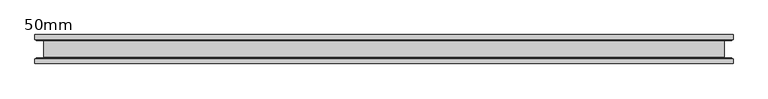
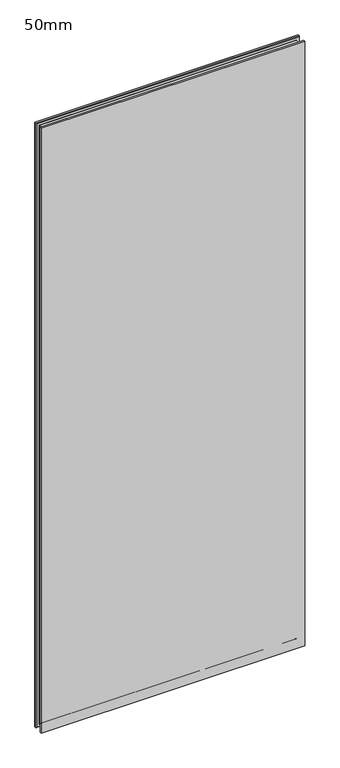
"""IFC4 building model written with IfcOpenShell, lengths in millimetres: plate geometry, 50mm."""

import ifcopenshell
import ifcopenshell.guid

model = None  # the IFC model being written
_history = None  # IfcOwnerHistory: only IFC2X3 demands one
_inside = {}  # id of a spatial element -> (the spatial element, [elements in it])
_under = {}  # id of a project, library or spatial element -> (it, [spatial elements below it])
_declared = {}  # id of a project -> (the project, [libraries it declares])
_typed = {}  # id of a type object -> (the type object, [elements of that type])
_made_of = {}  # id of a material, layer set ... -> (it, [elements and type objects made of it])


def new_model(schema):
    """Start an empty IFC model of exactly this schema.

    Asked for "IFC4X3", IfcOpenShell would pick the latest addendum, in which some entities
    have other attributes; the version numbers below select the first issue.
    IFC2X3 requires an IfcOwnerHistory on every rooted entity: one is made here for all.
    """
    global model, _history
    if schema == "IFC4X3":
        model = ifcopenshell.file(schema_version=(4, 3, 0, 0))
    else:
        model = ifcopenshell.file(schema=schema)
    _inside.clear()
    _under.clear()
    _declared.clear()
    _typed.clear()
    _made_of.clear()
    _history = None
    if model.schema == "IFC2X3":
        org = make("IfcOrganization", Name="unknown")
        user = make(
            "IfcPersonAndOrganization",
            ThePerson=make("IfcPerson", FamilyName="unknown"),
            TheOrganization=org,
        )
        app = make(
            "IfcApplication",
            ApplicationDeveloper=org,
            Version="unknown",
            ApplicationFullName="unknown",
            ApplicationIdentifier="unknown",
        )
        _history = make(
            "IfcOwnerHistory",
            OwningUser=user,
            OwningApplication=app,
            ChangeAction="ADDED",
            CreationDate=0,
        )
    return model


def make(cls, **values):
    """One entity of the class cls with the attributes given. An attribute that is None is left unset."""
    return model.create_entity(
        cls, **{name: value for name, value in values.items() if value is not None}
    )


def rooted(cls, **values):
    """An entity with a GlobalId (a new one), such as an element, a storey or a relation."""
    return make(cls, GlobalId=ifcopenshell.guid.new(), OwnerHistory=_history, **values)


def si_unit(unit_type, name, prefix=None):
    """IfcSIUnit, for example si_unit("LENGTHUNIT", "METRE", prefix="MILLI")."""
    return make("IfcSIUnit", UnitType=unit_type, Prefix=prefix, Name=name)


def assignment(units):
    """IfcUnitAssignment: the units of a project."""
    return None if units is None else make("IfcUnitAssignment", Units=units)


def point(xyz):
    """IfcCartesianPoint."""
    return None if xyz is None else make("IfcCartesianPoint", Coordinates=xyz)


def direction(xyz):
    """IfcDirection."""
    return None if xyz is None else make("IfcDirection", DirectionRatios=xyz)


def frame(location, z_axis=None, x_axis=None):
    """IfcAxis2Placement3D, a coordinate frame: its origin and axes. An axis left out is left unset."""
    return make(
        "IfcAxis2Placement3D",
        Location=point(location),
        Axis=direction(z_axis),
        RefDirection=direction(x_axis),
    )


def origin():
    """The frame at (0, 0, 0) with its axes left unset."""
    return frame((0.0, 0.0, 0.0))


def place(relative_to, where):
    """IfcLocalPlacement: puts the frame where relative to a parent placement (None: the world)."""
    return make(
        "IfcLocalPlacement", PlacementRelTo=relative_to, RelativePlacement=where
    )


def context(
    kind, dimensions, precision=None, world=None, true_north=None, identifier=None
):
    """IfcGeometricRepresentationContext, for example the 3D "Model" context."""
    return make(
        "IfcGeometricRepresentationContext",
        ContextIdentifier=identifier,
        ContextType=kind,
        CoordinateSpaceDimension=dimensions,
        Precision=precision,
        WorldCoordinateSystem=world,
        TrueNorth=true_north,
    )


def project(units=None, contexts=None):
    """IfcProject with its units and contexts."""
    return rooted(
        "IfcProject",
        Name="project",
        RepresentationContexts=contexts,
        UnitsInContext=assignment(units),
    )


def spatial(cls, under=None, at=None, **own):
    """A site, building, storey or space (cls), placed at a placement, below another one or the project."""
    s = rooted(cls, ObjectPlacement=at, **own)
    if under is not None:
        _under.setdefault(under.id(), (under, []))[1].append(s)
    return s


def polyline(points):
    """IfcPolyline through the points."""
    return make("IfcPolyline", Points=[point(p) for p in points])


def ellipse_curve(where, semi_axis1, semi_axis2):
    """IfcEllipse in the frame where."""
    return make(
        "IfcEllipse", Position=where, SemiAxis1=semi_axis1, SemiAxis2=semi_axis2
    )


def shape(context_of_items, identifier, shape_type, items):
    """IfcShapeRepresentation: the items that make up one representation, for example the "Body"."""
    return make(
        "IfcShapeRepresentation",
        ContextOfItems=context_of_items,
        RepresentationIdentifier=identifier,
        RepresentationType=shape_type,
        Items=items,
    )


def source(mapping_origin, context_of_items, identifier, shape_type, items):
    """IfcRepresentationMap: a shape defined once, which mapped items show again and again."""
    return make(
        "IfcRepresentationMap",
        MappingOrigin=mapping_origin,
        MappedRepresentation=shape(context_of_items, identifier, shape_type, items),
    )


def transform(
    local_origin,
    x_axis=None,
    y_axis=None,
    z_axis=None,
    scale=None,
    scale2=None,
    scale3=None,
    uniform=True,
):
    """IfcCartesianTransformationOperator3D, or its non-uniform kind. x_axis, y_axis, z_axis: its Axis1, 2, 3."""
    if uniform:
        return make(
            "IfcCartesianTransformationOperator3D",
            Axis1=direction(x_axis),
            Axis2=direction(y_axis),
            LocalOrigin=point(local_origin),
            Scale=scale,
            Axis3=direction(z_axis),
        )
    return make(
        "IfcCartesianTransformationOperator3DnonUniform",
        Axis1=direction(x_axis),
        Axis2=direction(y_axis),
        LocalOrigin=point(local_origin),
        Scale=scale,
        Axis3=direction(z_axis),
        Scale2=scale2,
        Scale3=scale3,
    )


def mapped(mapping_source, mapping_target):
    """IfcMappedItem: shows the shape of a source again, moved by a transform."""
    return make(
        "IfcMappedItem", MappingSource=mapping_source, MappingTarget=mapping_target
    )


def made_of(thing, what):
    """Note that an element or type object is made of a material, layer set ...; save() writes the relation."""
    if what is not None:
        _made_of.setdefault(what.id(), (what, []))[1].append(thing)
    return thing


def element(
    cls,
    number,
    at=None,
    inside=None,
    cuts=None,
    type_object=None,
    material=None,
    context=None,
    identifier="Body",
    shape_type=None,
    held_by="IfcProductDefinitionShape",
    body=None,
    shapes=None,
    **own,
):
    """One element of the class cls, such as IfcWall. Its Tag is "e" and its number.

    at: its placement. inside: the storey or other place that contains it. cuts: it is an
    opening in that element (IfcRelVoidsElement). A single representation is given by context,
    identifier, shape_type and body (its items); several are given by shapes. held_by: the class
    of the entity that holds the representations. save() writes the other relations.
    """
    e = rooted(cls, Tag="e%d" % number, ObjectPlacement=at, **own)
    if body is not None:
        shapes = [shape(context, identifier, shape_type, body)]
    if shapes is not None:
        e.Representation = make(held_by, Representations=shapes)
    if inside is not None:
        _inside.setdefault(inside.id(), (inside, []))[1].append(e)
    if cuts is not None:
        rooted(
            "IfcRelVoidsElement", RelatingBuildingElement=cuts, RelatedOpeningElement=e
        )
    if type_object is not None:
        _typed.setdefault(type_object.id(), (type_object, []))[1].append(e)
    return made_of(e, material)


def aggregate(whole, parts):
    """IfcRelAggregates: a whole, such as a stair, and the parts it consists of."""
    return rooted("IfcRelAggregates", RelatingObject=whole, RelatedObjects=parts)


def save(model, path):
    """Write the relations noted so far, then the file.

    IfcRelAggregates (storeys below a building ...), IfcRelContainedInSpatialStructure (elements
    in a storey), IfcRelDefinesByType, IfcRelAssociatesMaterial and IfcRelDeclares: one each for
    every whole, place, type object, material and project.
    """
    for whole, parts in _under.values():
        aggregate(whole, parts)
    for where, things in _inside.values():
        rooted(
            "IfcRelContainedInSpatialStructure",
            RelatedElements=things,
            RelatingStructure=where,
        )
    for kind, things in _typed.values():
        rooted("IfcRelDefinesByType", RelatedObjects=things, RelatingType=kind)
    for what, things in _made_of.values():
        rooted("IfcRelAssociatesMaterial", RelatedObjects=things, RelatingMaterial=what)
    for by, libraries in _declared.values():
        rooted("IfcRelDeclares", RelatingContext=by, RelatedDefinitions=libraries)
    model.write(path)


def plane_surface(at):
    """IfcPlane: the flat surface through the origin of the frame at, square to its z axis."""
    return make("IfcPlane", Position=at)


def revolved_surface(curve, axis_point, axis_direction):
    """IfcSurfaceOfRevolution: the curve turned about the line through axis_point along axis_direction."""
    return make(
        "IfcSurfaceOfRevolution",
        SweptCurve=make("IfcArbitraryOpenProfileDef", ProfileType="CURVE", Curve=curve),
        AxisPosition=make("IfcAxis1Placement", Location=point(axis_point), Axis=direction(axis_direction)),
    )


def advanced_brep(points, edges, surfaces, faces):
    """IfcAdvancedBrep: a solid bounded by faces that lie on surfaces and meet in shared edges.

    An edge is (start, end): straight between two places in points (the first is 0);
    or (start, end, curve); or (start, end, curve, False) where it runs against its curve.
    A face is (place in surfaces, loops), or (place, loops, False) where it looks against
    its surface's normal. A loop lists edges by number (the first is 1), with a minus sign
    where the edge is run from its end to its start. The first loop is the outer one.
    """
    corners = [point(p) for p in points]
    vertices = [make("IfcVertexPoint", VertexGeometry=c) for c in corners]
    made = []
    for start, end, *more in edges:
        made.append(
            make(
                "IfcEdgeCurve",
                EdgeStart=vertices[start],
                EdgeEnd=vertices[end],
                EdgeGeometry=more[0] if more else make("IfcPolyline", Points=[corners[start], corners[end]]),
                SameSense=more[1] if len(more) > 1 else True,
            )
        )
    hull = []
    for where, loops, *sense in faces:
        bounds = []
        for j, loop in enumerate(loops):
            ring = [make("IfcOrientedEdge", EdgeElement=made[abs(k) - 1], Orientation=k > 0) for k in loop]
            bounds.append(
                make(
                    "IfcFaceOuterBound" if j == 0 else "IfcFaceBound",
                    Bound=make("IfcEdgeLoop", EdgeList=ring),
                    Orientation=True,
                )
            )
        hull.append(make("IfcAdvancedFace", Bounds=bounds, FaceSurface=surfaces[where], SameSense=sense[0] if sense else True))
    return make("IfcAdvancedBrep", Outer=make("IfcClosedShell", CfsFaces=hull))


def plate_50mm_eac8c538(model_context):
    return source(origin(), model_context, "Body", "AdvancedBrep", [
        advanced_brep(
        [(600.0000002, 25.0, 2899.4803257), (-600.0000002, 25.0, 2899.4803257), (-600.0000002, 17.0, 2899.4803257), (600.0000002, 17.0, 2899.4803257), (-600.0000002, -25.0, 2899.4803257), (600.0000002, -25.0, 2899.4803257), (600.0000002, -17.0, 2899.4803257), (-600.0000002, -17.0, 2899.4803257), (600.0000002, -25.0, -13.5), (-600.0000002, -25.0, -13.5), (-600.0000002, -17.0, -13.5), (600.0000002, -17.0, -13.5), (-600.0000002, 25.0, -13.5), (600.0000002, 25.0, -13.5), (600.0000002, 17.0, -13.5), (-600.0000002, 17.0, -13.5), (-598.0000002, -15.0, -11.5), (598.0000002, -15.0, -11.5), (-585.0000002, -14.4, 1.5), (585.0000002, -14.4, 1.5), (585.6000002, -15.0, 0.9), (-585.6000002, -15.0, 0.9), (-585.0000002, 14.4, 1.5), (585.0000002, 14.4, 1.5), (-585.6000002, 15.0, 0.9), (585.6000002, 15.0, 0.9), (598.0000002, 15.0, -11.5), (-598.0000002, 15.0, -11.5), (598.0000002, -15.0, 2897.4803257), (585.0000002, -14.4, 2884.4803257), (585.6000002, -15.0, 2885.0803257), (585.0000002, 14.4, 2884.4803257), (585.6000002, 15.0, 2885.0803257), (598.0000002, 15.0, 2897.4803257), (-598.0000002, -15.0, 2897.4803257), (-585.0000002, -14.4, 2884.4803257), (-585.6000002, -15.0, 2885.0803257), (-585.0000002, 14.4, 2884.4803257), (-585.6000002, 15.0, 2885.0803257), (-598.0000002, 15.0, 2897.4803257)],
        [
            (0, 1),
            (1, 2),
            (2, 3),
            (3, 0),
            (4, 5),
            (5, 6),
            (6, 7),
            (7, 4),
            (8, 9),
            (9, 10),
            (10, 11),
            (11, 8),
            (12, 13),
            (13, 14),
            (14, 15),
            (15, 12),
            (0, 13),
            (12, 1),
            (15, 2),
            (9, 4),
            (7, 10),
            (8, 5),
            (3, 14),
            (11, 6),
            (16, 17),
            (17, 11),
            (10, 16),
            (18, 19),
            (19, 20, ellipse_curve(frame((585.6000002, -14.4, 0.9), z_axis=(0.7071067811865475, 0.0, 0.7071067811865475), x_axis=(-0.7071067811865476, 0.0, 0.7071067811865474)), 0.8485281, 0.6)),
            (20, 21),
            (21, 18, ellipse_curve(frame((-585.6000002, -14.4, 0.9), z_axis=(-0.7071067811865475, 0.0, 0.7071067811865475), x_axis=(-0.7071067811865476, 0.0, -0.7071067811865474)), 0.8485281, 0.6)),
            (18, 22),
            (22, 23),
            (23, 19),
            (22, 24, ellipse_curve(frame((-585.6000002, 14.4, 0.9), z_axis=(-0.7071067811865475, 0.0, 0.7071067811865475), x_axis=(-0.7071067811865476, 0.0, -0.7071067811865474)), 0.8485281, 0.6)),
            (24, 25),
            (25, 23, ellipse_curve(frame((585.6000002, 14.4, 0.9), z_axis=(0.7071067811865475, 0.0, 0.7071067811865475), x_axis=(-0.7071067811865476, 0.0, 0.7071067811865474)), 0.8485281, 0.6)),
            (14, 26),
            (26, 27),
            (27, 15),
            (17, 28),
            (28, 6),
            (19, 29),
            (29, 30, ellipse_curve(frame((585.6000002, -14.4, 2885.0803257), z_axis=(-0.7071067811865475, 0.0, 0.7071067811865475), x_axis=(-0.7071067811865474, 0.0, -0.7071067811865476)), 0.8485281, 0.6)),
            (30, 20),
            (23, 31),
            (31, 29),
            (25, 32),
            (32, 31, ellipse_curve(frame((585.6000002, 14.4, 2885.0803257), z_axis=(-0.7071067811865475, 0.0, 0.7071067811865475), x_axis=(-0.7071067811865474, 0.0, -0.7071067811865476)), 0.8485281, 0.6)),
            (3, 33),
            (33, 26),
            (28, 34),
            (34, 7),
            (29, 35),
            (35, 36, ellipse_curve(frame((-585.6000002, -14.4, 2885.0803257), z_axis=(-0.7071067811865475, 0.0, -0.7071067811865475), x_axis=(0.7071067811865476, 0.0, -0.7071067811865474)), 0.8485281, 0.6)),
            (36, 30),
            (31, 37),
            (37, 35),
            (32, 38),
            (38, 37, ellipse_curve(frame((-585.6000002, 14.4, 2885.0803257), z_axis=(-0.7071067811865475, 0.0, -0.7071067811865475), x_axis=(0.7071067811865476, 0.0, -0.7071067811865474)), 0.8485281, 0.6)),
            (2, 39),
            (39, 33),
            (34, 16),
            (36, 21),
            (35, 18),
            (37, 22),
            (38, 24),
            (39, 27),
        ],
        [
            plane_surface(frame((-600.0000002, 25.0, 2899.4803257), z_axis=(0.0, 0.0, 1.0), x_axis=(-1.0, 0.0, 0.0))),
            plane_surface(frame((-600.0000002, 25.0, -13.5), z_axis=(0.0, 0.0, -1.0), x_axis=(1.0, 0.0, 0.0))),
            plane_surface(frame((600.0000002, 25.0, 2899.4803257), z_axis=(0.0, 1.0, 0.0), x_axis=(0.0, 0.0, -1.0))),
            plane_surface(frame((-600.0000002, 25.0, 2899.4803257), z_axis=(-1.0, 0.0, 0.0), x_axis=(0.0, 0.0, -1.0))),
            plane_surface(frame((-600.0000002, -25.0, 2899.4803257), z_axis=(0.0, -1.0, 0.0), x_axis=(0.0, 0.0, -1.0))),
            plane_surface(frame((600.0000002, -25.0, 2899.4803257), z_axis=(1.0, 0.0, 0.0), x_axis=(0.0, 0.0, -1.0))),
            plane_surface(frame((-600.0000002, -17.0, -13.5), z_axis=(0.0, 0.7071067811866751, -0.7071067811864199), x_axis=(1.0, 0.0, 0.0))),
            revolved_surface(polyline([(-586.2000001735373, -14.400000000002729, 1.5), (586.2000001735372, -14.400000000002729, 1.5)]), (-586.5000002, -14.4, 0.9), (-1.0, 0.0, 0.0)),
            plane_surface(frame((-585.0000002, -14.4, 1.5), z_axis=(0.0, 0.0, -1.0), x_axis=(1.0, 0.0, 0.0))),
            revolved_surface(polyline([(-586.2000001735373, 15.0, 0.9), (586.2000001735372, 15.0, 0.9)]), (-586.5000002, 14.4, 0.9), (-1.0, 0.0, 0.0)),
            plane_surface(frame((-598.0000002, 15.0, -11.5), z_axis=(0.0, -0.7071067811660012, -0.7071067812070939), x_axis=(1.0, 0.0, 0.0))),
            plane_surface(frame((600.0000002, -17.0, -13.5), z_axis=(0.7071067811864199, 0.7071067811866751, 0.0), x_axis=(0.0, 0.0, 1.0))),
            revolved_surface(polyline([(585.0000001999999, -14.400000000002729, 0.3000000264626632), (585.0000001999999, -14.400000000002729, 2885.680325673537)]), (585.6000002, -14.4, 0.0), (0.0, 0.0, -1.0)),
            plane_surface(frame((585.0000002, -14.4, 1.5), z_axis=(1.0, 0.0, 0.0), x_axis=(0.0, 0.0, 1.0))),
            revolved_surface(polyline([(585.6000002, 15.0, 0.3000000264626632), (585.6000002, 15.0, 2885.680325673537)]), (585.6000002, 14.4, 0.0), (0.0, 0.0, -1.0)),
            plane_surface(frame((598.0000002, 15.0, -11.5), z_axis=(0.7071067812070939, -0.7071067811660012, 0.0), x_axis=(0.0, 0.0, 1.0))),
            plane_surface(frame((600.0000002, -17.0, 2899.4803257), z_axis=(0.0, 0.7071067811866751, 0.7071067811864199), x_axis=(-1.0, 0.0, 0.0))),
            revolved_surface(polyline([(586.2000001735373, -14.400000000002729, 2884.4803257), (-586.2000001735372, -14.400000000002729, 2884.4803257)]), (586.5000002, -14.4, 2885.0803257), (1.0, 0.0, 0.0)),
            plane_surface(frame((585.0000002, -14.4, 2884.4803257), z_axis=(0.0, 0.0, 1.0), x_axis=(-1.0, 0.0, 0.0))),
            revolved_surface(polyline([(586.2000001735373, 15.0, 2885.0803257), (-586.2000001735372, 15.0, 2885.0803257)]), (586.5000002, 14.4, 2885.0803257), (1.0, 0.0, 0.0)),
            plane_surface(frame((598.0000002, 15.0, 2897.4803257), z_axis=(0.0, -0.7071067811660012, 0.7071067812070939), x_axis=(-1.0, 0.0, 0.0))),
            plane_surface(frame((-600.0000002, -17.0, 2899.4803257), z_axis=(-0.7071067811864199, 0.7071067811866751, 0.0), x_axis=(0.0, 0.0, -1.0))),
            plane_surface(frame((-598.0000002, -15.0, 2897.4803257), z_axis=(0.0, 1.0, 0.0), x_axis=(0.0, 0.0, -1.0))),
            revolved_surface(polyline([(-585.0000001999999, -14.400000000002729, 2885.680325673537), (-585.0000001999999, -14.400000000002729, 0.30000002646283974)]), (-585.6000002, -14.4, 2885.9803257), (0.0, 0.0, 1.0)),
            plane_surface(frame((-585.0000002, -14.4, 2884.4803257), z_axis=(-1.0, 0.0, 0.0), x_axis=(0.0, 0.0, -1.0))),
            revolved_surface(polyline([(-585.6000002, 15.0, 2885.680325673537), (-585.6000002, 15.0, 0.30000002646283974)]), (-585.6000002, 14.4, 2885.9803257), (0.0, 0.0, 1.0)),
            plane_surface(frame((-585.6000002, 15.0, 2885.0803257), z_axis=(0.0, -1.0, 0.0), x_axis=(0.0, 0.0, -1.0))),
            plane_surface(frame((-598.0000002, 15.0, 2897.4803257), z_axis=(-0.7071067812070939, -0.7071067811660012, 0.0), x_axis=(0.0, 0.0, -1.0))),
        ],
        [
            (0, [[1, 2, 3, 4]]),
            (0, [[5, 6, 7, 8]]),
            (1, [[9, 10, 11, 12]]),
            (1, [[13, 14, 15, 16]]),
            (2, [[-1, 17, -13, 18]]),
            (3, [[-18, -16, 19, -2]]),
            (3, [[20, -8, 21, -10]]),
            (4, [[-5, -20, -9, 22]]),
            (5, [[-17, -4, 23, -14]]),
            (5, [[-22, -12, 24, -6]]),
            (6, [[25, 26, -11, 27]]),
            (7, [[28, 29, 30, 31]]),
            (8, [[-28, 32, 33, 34]]),
            (9, [[-33, 35, 36, 37]]),
            (10, [[38, 39, 40, -15]]),
            (11, [[-26, 41, 42, -24]]),
            (12, [[-29, 43, 44, 45]]),
            (13, [[-34, 46, 47, -43]]),
            (14, [[-37, 48, 49, -46]]),
            (15, [[-38, -23, 50, 51]]),
            (16, [[-42, 52, 53, -7]]),
            (17, [[-44, 54, 55, 56]]),
            (18, [[-47, 57, 58, -54]]),
            (19, [[-49, 59, 60, -57]]),
            (20, [[-50, -3, 61, 62]]),
            (21, [[-27, -21, -53, 63]]),
            (22, [[-25, -63, -52, -41], [-30, -45, -56, 64]]),
            (23, [[-31, -64, -55, 65]]),
            (24, [[-32, -65, -58, 66]]),
            (25, [[-35, -66, -60, 67]]),
            (26, [[-39, -51, -62, 68], [-36, -67, -59, -48]]),
            (27, [[-40, -68, -61, -19]]),
        ],
    ),
    ])


if __name__ == "__main__":
    model = new_model("IFC4")
    model_context = context("Model", 3, world=origin())
    ifc_project = project(units=[si_unit("LENGTHUNIT", "METRE", prefix="MILLI")], contexts=[model_context])
    site = spatial("IfcSite", under=ifc_project)
    building = spatial("IfcBuilding", under=site)
    placement = place(None, origin())
    plate_50mm_shape = plate_50mm_eac8c538(model_context)
    element("IfcPlate", 1, ObjectType="50mm", at=placement, inside=building, context=model_context, shape_type="MappedRepresentation", body=[
        mapped(plate_50mm_shape, transform((0.0, 0.0, 0.0), x_axis=(1.0, 0.0, 0.0), y_axis=(0.0, 1.0, 0.0), z_axis=(0.0, 0.0, 1.0))),
    ])
    save(model, "model.ifc")
